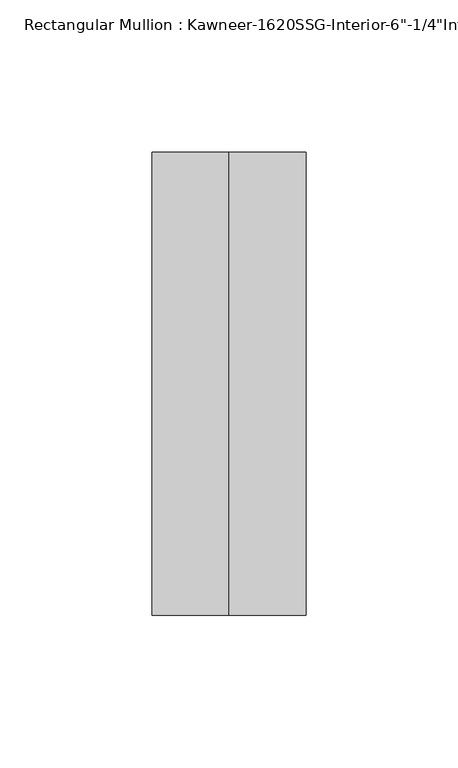
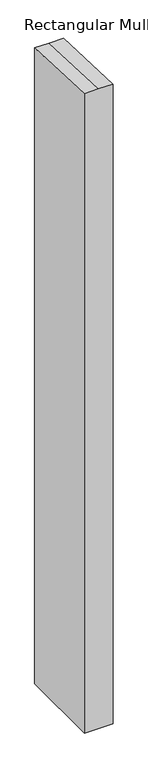
"""IFC4 building model written with IfcOpenShell, lengths in millimetres: member geometry."""

from ifc_helpers import new_model, si_unit, origin, place, context, project, spatial, faceted_brep, source, transform, mapped, element, save


def member_ccffc6c2(model_context):
    return source(origin(), model_context, "Body", "Brep", [
        faceted_brep([(25.4, -123.825, -1193.3062746), (-25.4, -123.825, -1193.3062746), (-25.4, 28.575, -1193.3062746), (25.4, 28.575, -1193.3062746), (25.4, 28.575, -1.2476114), (25.4, -123.825, 5.4063163), (-25.4, 28.575, -1.2476114), (0.0, 28.575, -1.2476114), (-25.4, -123.825, 5.4063163), (0.0, -123.825, 5.4063163)], [[[0, 1, 2, 3]], [[4, 5, 0, 3]], [[6, 7, 4, 3, 2]], [[8, 6, 2, 1]], [[5, 9, 8, 1, 0]], [[5, 4, 7, 9]], [[7, 6, 8, 9]]]),
    ])


if __name__ == "__main__":
    model = new_model("IFC4")
    model_context = context("Model", 3, world=origin())
    ifc_project = project(units=[si_unit("LENGTHUNIT", "METRE", prefix="MILLI")], contexts=[model_context])
    site = spatial("IfcSite", under=ifc_project)
    building = spatial("IfcBuilding", under=site)
    placement = place(None, origin())
    member_shape = member_ccffc6c2(model_context)
    element("IfcMember", 1, ObjectType="Rectangular Mullion : Kawneer-1620SSG-Interior-6\"-1/4\"Infill", at=placement, inside=building, context=model_context, shape_type="MappedRepresentation", body=[
        mapped(member_shape, transform((0.0, 0.0, 0.0), x_axis=(1.0, 0.0, 0.0), y_axis=(0.0, 1.0, 0.0), z_axis=(0.0, 0.0, 1.0))),
    ])
    save(model, "model.ifc")
